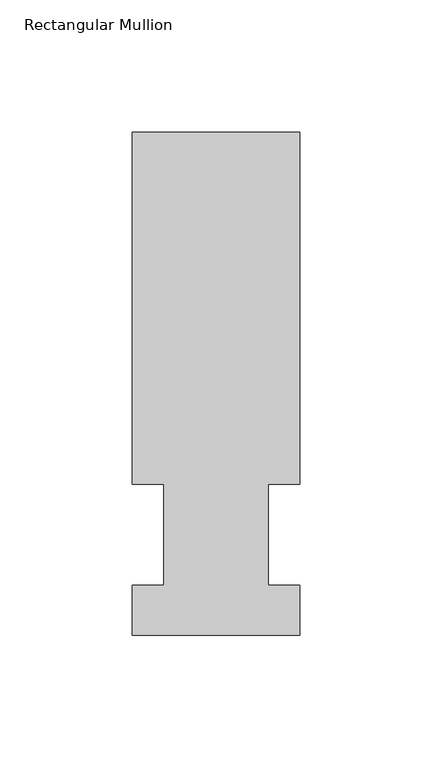
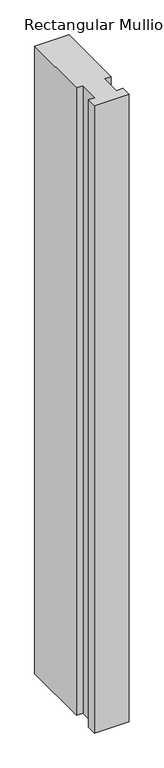
"""IFC4 building model written with IfcOpenShell, lengths in millimetres: member geometry, Rectangular Mullion."""

from ifc_helpers import new_model, si_unit, frame, origin, place, context, project, spatial, polyline, outline, extrude, source, transform, mapped, element, save


def rectangular_mullion_9e9c80ed(model_context):
    return source(origin(), model_context, "Body", "SweptSolid", [
        extrude(outline(polyline([(31.75, 152.4), (31.75, 19.0495158), (19.8374, 19.0495158), (19.8374, -19.0504842), (31.75, -19.0504842), (31.75, -38.1), (-31.75, -38.1), (-31.75, -19.0504842), (-19.8374, -19.0504842), (-19.8374, 19.0495158), (-31.75, 19.0495158), (-31.75, 152.4), (31.75, 152.4)])), frame((0.0, 0.0, -1219.2), z_axis=(0.0, 0.0, 1.0), x_axis=(1.0, 0.0, 0.0)), (0.0, 0.0, 1.0), 1219.2),
    ])


if __name__ == "__main__":
    model = new_model("IFC4")
    model_context = context("Model", 3, world=origin())
    ifc_project = project(units=[si_unit("LENGTHUNIT", "METRE", prefix="MILLI")], contexts=[model_context])
    site = spatial("IfcSite", under=ifc_project)
    building = spatial("IfcBuilding", under=site)
    placement = place(None, origin())
    rectangular_mullion_shape = rectangular_mullion_9e9c80ed(model_context)
    element("IfcMember", 1, ObjectType="Rectangular Mullion", at=placement, inside=building, context=model_context, shape_type="MappedRepresentation", body=[
        mapped(rectangular_mullion_shape, transform((0.0, 0.0, 0.0), x_axis=(1.0, 0.0, 0.0), y_axis=(0.0, 1.0, 0.0), z_axis=(0.0, 0.0, 1.0))),
    ])
    save(model, "model.ifc")
